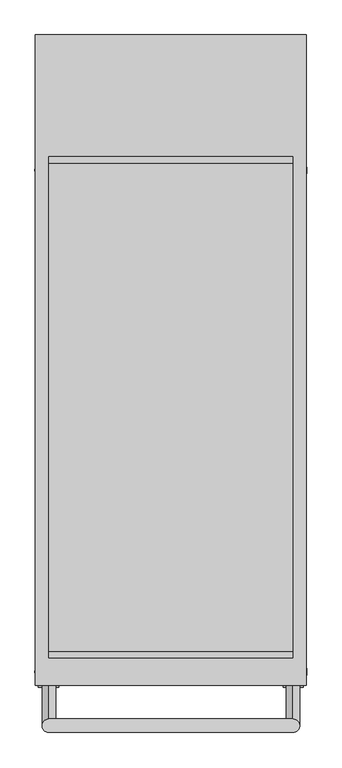
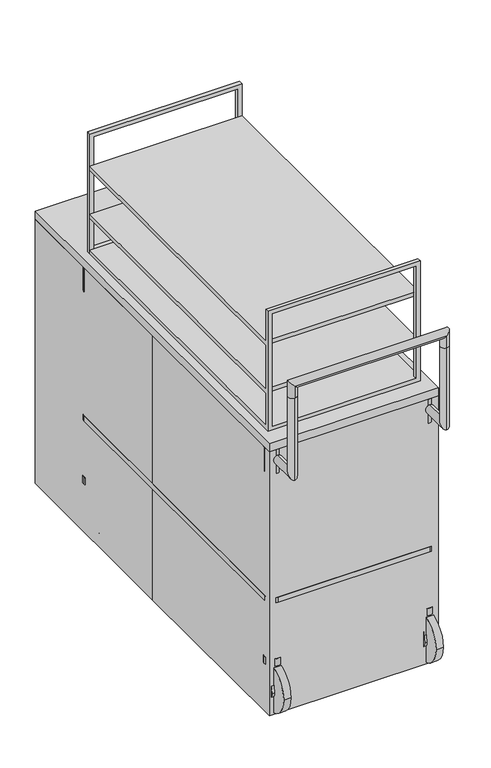
"""IFC4 building model written with IfcOpenShell, lengths in millimetres: proxy geometry."""

from ifc_helpers import new_model, si_unit, point, frame, frame_2d, origin, origin_with_axes, place, context, project, spatial, polyline, circle_curve, ellipse_curve, trimmed, segment, composite_curve, outline, extrude, faceted_brep, source, transform, mapped, element, save
from ifc_brep_helpers import plane_surface, cylinder_surface, advanced_brep


def specialty_equipment_8e73fef4(model_context):
    return source(origin(), model_context, "Body", "SolidModel", [
        faceted_brep([(215.9, -547.0730154, 990.6), (-215.9, -547.0730154, 990.6), (-215.9, -547.0730154, 977.9), (215.9, -547.0730154, 977.9), (215.9, -547.0730154, 1143.0), (-215.9, -547.0730154, 1143.0), (-215.9, -547.0730154, 1130.3), (215.9, -547.0730154, 1130.3), (228.6, 369.2730154, 977.9), (-228.6, 369.2730154, 977.9), (-228.6, 369.2730154, 990.6), (228.6, 369.2730154, 990.6), (228.6, 369.2730154, 1130.3), (-228.6, 369.2730154, 1130.3), (-228.6, 369.2730154, 1143.0), (228.6, 369.2730154, 1143.0), (228.6, 369.2730154, 863.6), (-228.6, 369.2730154, 863.6), (-228.6, 369.2730154, 876.3), (228.6, 369.2730154, 876.3), (228.6, -547.0730154, 990.6), (228.6, -547.0730154, 1130.3), (228.6, -547.0730154, 1143.0), (228.6, -547.0730154, 1244.6), (228.6, -558.8, 1244.6), (228.6, -558.8, 863.6), (228.6, -547.0730154, 876.3), (228.6, -547.0730154, 977.9), (-228.6, -547.0730154, 990.6), (-228.6, -547.0730154, 977.9), (-228.6, -547.0730154, 876.3), (-228.6, -558.8, 863.6), (-228.6, -558.8, 1244.6), (-228.6, -547.0730154, 1244.6), (-228.6, -547.0730154, 1143.0), (-228.6, -547.0730154, 1130.3), (-215.9, -547.0730154, 876.3), (-215.9, -558.8, 876.3), (215.9, -558.8, 876.3), (215.9, -547.0730154, 876.3), (215.9, -558.8, 1231.9), (-215.9, -558.8, 1231.9), (215.9, -547.0730154, 1231.9), (-215.9, -547.0730154, 1231.9)], [[[0, 1, 2, 3]], [[4, 5, 6, 7]], [[8, 9, 10, 11]], [[12, 13, 14, 15]], [[16, 17, 18, 19]], [[8, 11, 20, 21, 12, 15, 22, 23, 24, 25, 16, 19, 26, 27]], [[11, 10, 28, 1, 0, 20]], [[10, 9, 29, 30, 18, 17, 31, 32, 33, 34, 14, 13, 35, 28]], [[9, 8, 27, 3, 2, 29]], [[15, 14, 34, 5, 4, 22]], [[13, 12, 21, 7, 6, 35]], [[19, 18, 30, 36, 37, 38, 39, 26]], [[17, 16, 25, 31]], [[25, 24, 32, 31], [40, 38, 37, 41]], [[21, 20, 0, 7]], [[28, 35, 6, 1]], [[33, 23, 22, 4, 42, 43, 5, 34]], [[39, 3, 27, 26]], [[2, 36, 30, 29]], [[32, 24, 23, 33]], [[38, 40, 42, 4, 7, 0, 3, 39]], [[41, 37, 36, 2, 1, 6, 5, 43]], [[40, 41, 43, 42]]]),
        faceted_brep([(228.6, 369.5547832, 863.6), (228.6, 369.5547832, 1244.6), (-228.6, 369.5547832, 1244.6), (-228.6, 369.5547832, 863.6), (215.9, 369.5547832, 1231.9), (215.9, 369.5547832, 876.3), (-215.9, 369.5547832, 876.3), (-215.9, 369.5547832, 1231.9), (228.6, 381.2817679, 863.6), (-228.6, 381.2817679, 863.6), (-228.6, 381.2817679, 1244.6), (228.6, 381.2817679, 1244.6), (215.9, 381.2817679, 1231.9), (-215.9, 381.2817679, 1231.9), (-215.9, 381.2817679, 876.3), (215.9, 381.2817679, 876.3)], [[[0, 1, 2, 3], [4, 5, 6, 7]], [[8, 9, 10, 11], [12, 13, 14, 15]], [[1, 0, 8, 11]], [[2, 1, 11, 10]], [[3, 2, 10, 9]], [[0, 3, 9, 8]], [[5, 4, 12, 15]], [[6, 5, 15, 14]], [[7, 6, 14, 13]], [[4, 7, 13, 12]]]),
        advanced_brep(
        [(228.6, -698.5, 1092.2), (228.6, -673.1, 1092.2), (-228.6, -673.1, 1092.2), (-228.6, -698.5, 1092.2), (-228.6, -673.1, 1054.1), (-228.6, -698.5, 1054.1), (228.6, -698.5, 1054.1), (228.6, -673.1, 1054.1), (228.6, -609.6, 793.75), (228.6, -609.6, 819.15), (228.6, -673.1, 819.15), (228.6, -698.5, 793.75), (-228.6, -609.6, 819.15), (-228.6, -609.6, 793.75), (-228.6, -673.1, 819.15), (-228.6, -698.5, 793.75)],
        [
            (0, 1, ellipse_curve(frame((228.6, -685.8, 1092.2), z_axis=(-0.7071067811865468, 0.0, 0.7071067811865481), x_axis=(0.7071067811865482, 0.0, 0.7071067811865467)), 17.9605122, 12.7)),
            (1, 2),
            (2, 3, ellipse_curve(frame((-228.6, -685.8, 1092.2), z_axis=(0.7071067811865493, 0.0, 0.7071067811865456), x_axis=(0.7071067811865458, 0.0, -0.7071067811865492)), 17.9605122, 12.7)),
            (3, 0),
            (1, 0, ellipse_curve(frame((228.6, -685.8, 1092.2), z_axis=(-0.7071067811865468, 0.0, 0.7071067811865481), x_axis=(0.7071067811865482, 0.0, 0.7071067811865467)), 17.9605122, 12.7)),
            (3, 2, ellipse_curve(frame((-228.6, -685.8, 1092.2), z_axis=(0.7071067811865493, 0.0, 0.7071067811865456), x_axis=(0.7071067811865458, 0.0, -0.7071067811865492)), 17.9605122, 12.7)),
            (2, 4),
            (4, 5, circle_curve(frame((-228.6, -685.8, 1054.1), z_axis=(0.0, 0.0, 1.0), x_axis=(0.0, -1.0, 0.0)), 12.7)),
            (5, 3),
            (5, 4, circle_curve(frame((-228.6, -685.8, 1054.1), z_axis=(0.0, 0.0, 1.0), x_axis=(0.0, -1.0, 0.0)), 12.7)),
            (0, 6),
            (6, 7, circle_curve(frame((228.6, -685.8, 1054.1), z_axis=(0.0, 0.0, 1.0), x_axis=(0.0, -1.0, 0.0)), 12.7)),
            (7, 1),
            (7, 6, circle_curve(frame((228.6, -685.8, 1054.1), z_axis=(0.0, 0.0, 1.0), x_axis=(0.0, -1.0, 0.0)), 12.7)),
            (8, 9, circle_curve(frame((228.6, -609.6, 806.45), z_axis=(0.0, 1.0, 0.0), x_axis=(0.0, 0.0, 1.0)), 12.7)),
            (9, 8, circle_curve(frame((228.6, -609.6, 806.45), z_axis=(0.0, 1.0, 0.0), x_axis=(0.0, 0.0, 1.0)), 12.7)),
            (9, 10),
            (10, 11, ellipse_curve(frame((228.6, -685.8, 806.45), z_axis=(0.0, 0.7071067811865457, -0.7071067811865495), x_axis=(0.0, 0.7071067811865492, 0.7071067811865457)), 17.9605122, 12.7)),
            (11, 8),
            (11, 10, ellipse_curve(frame((228.6, -685.8, 806.45), z_axis=(0.0, 0.7071067811865457, -0.7071067811865495), x_axis=(0.0, 0.7071067811865492, 0.7071067811865457)), 17.9605122, 12.7)),
            (10, 7),
            (6, 11),
            (12, 13, circle_curve(frame((-228.6, -609.6, 806.45), z_axis=(0.0, 1.0, 0.0), x_axis=(0.0, 0.0, -1.0)), 12.7)),
            (13, 12, circle_curve(frame((-228.6, -609.6, 806.45), z_axis=(0.0, 1.0, 0.0), x_axis=(0.0, 0.0, -1.0)), 12.7)),
            (12, 14),
            (14, 15, ellipse_curve(frame((-228.6, -685.8, 806.45), z_axis=(0.0, 0.7071067811865457, -0.7071067811865495), x_axis=(0.0, 0.7071067811865492, 0.7071067811865457)), 17.9605122, 12.7)),
            (15, 13),
            (15, 14, ellipse_curve(frame((-228.6, -685.8, 806.45), z_axis=(0.0, 0.7071067811865457, -0.7071067811865495), x_axis=(0.0, 0.7071067811865492, 0.7071067811865457)), 17.9605122, 12.7)),
            (14, 4),
            (5, 15),
        ],
        [
            cylinder_surface(frame((228.6, -685.8, 1092.2), z_axis=(1.0, 0.0, 0.0), x_axis=(0.0, -1.0, 0.0)), 12.7),
            cylinder_surface(frame((-228.6, -685.8, 1092.2), z_axis=(0.0, 0.0, 1.0), x_axis=(0.0, -1.0, 0.0)), 12.7),
            cylinder_surface(frame((228.6, -685.8, 1054.1), z_axis=(0.0, 0.0, -1.0), x_axis=(0.0, -1.0, 0.0)), 12.7),
            plane_surface(frame((0.0, -609.6, 806.45), z_axis=(0.0, 1.0, 0.0), x_axis=(-1.0, 0.0, 0.0))),
            cylinder_surface(frame((228.6, -609.6, 806.45), z_axis=(0.0, 1.0, 0.0), x_axis=(0.0, 0.0, 1.0)), 12.7),
            cylinder_surface(frame((228.6, -685.8, 806.45), z_axis=(0.0, 0.0, -1.0), x_axis=(0.0, 1.0, 0.0)), 12.7),
            plane_surface(frame((0.0, -609.6, 806.45), z_axis=(0.0, 1.0, 0.0), x_axis=(1.0, 0.0, 0.0))),
            cylinder_surface(frame((-228.6, -609.6, 806.45), z_axis=(0.0, 1.0, 0.0), x_axis=(0.0, 0.0, -1.0)), 12.7),
            cylinder_surface(frame((-228.6, -685.8, 806.45), z_axis=(0.0, 0.0, -1.0), x_axis=(0.0, -1.0, 0.0)), 12.7),
        ],
        [
            (0, [[1, 2, 3, 4]]),
            (0, [[-2, 5, -4, 6]]),
            (1, [[-3, 7, 8, 9]]),
            (1, [[-6, -9, 10, -7]]),
            (2, [[-1, 11, 12, 13]]),
            (2, [[-5, -13, 14, -11]]),
            (3, [[15, 16]]),
            (4, [[-16, 17, 18, 19]]),
            (4, [[-15, -19, 20, -17]]),
            (5, [[-18, 21, -12, 22]]),
            (5, [[-20, -22, -14, -21]]),
            (6, [[23, 24]]),
            (7, [[-23, 25, 26, 27]]),
            (7, [[-24, -27, 28, -25]]),
            (8, [[-26, 29, -10, 30]]),
            (8, [[-28, -30, -8, -29]]),
        ],
    ),
        extrude(outline(composite_curve([segment(trimmed(circle_curve(frame_2d((228.6, 355.8817679)), 25.4), [point((228.6, 381.2817679))], [point((254.0, 355.8817679))], False, "CARTESIAN"), True, "CONTINUOUS"), segment(polyline([(254.0, 355.8817679), (254.0, -584.4817679)]), True, "CONTINUOUS"), segment(trimmed(circle_curve(frame_2d((228.6, -584.4817679)), 25.4), [point((254.0, -584.4817679))], [point((228.6, -609.8817679))], False, "CARTESIAN"), True, "CONTINUOUS"), segment(polyline([(228.6, -609.8817679), (-228.6, -609.8817679)]), True, "CONTINUOUS"), segment(trimmed(circle_curve(frame_2d((-228.6, -584.4817679)), 25.4), [point((-228.6, -609.8817679))], [point((-254.0, -584.4817679))], False, "CARTESIAN"), True, "CONTINUOUS"), segment(polyline([(-254.0, -584.4817679), (-254.0, 355.8817679)]), True, "CONTINUOUS"), segment(trimmed(circle_curve(frame_2d((-228.6, 355.8817679)), 25.4), [point((-254.0, 355.8817679))], [point((-228.6, 381.2817679))], False, "CARTESIAN"), True, "CONTINUOUS"), segment(polyline([(-228.6, 381.2817679), (228.6, 381.2817679)]), True, "CONTINUOUS")], self_intersect=False), holes=[composite_curve([segment(polyline([(-247.65, 355.8817679), (-247.65, -584.4817679)]), True, "CONTINUOUS"), segment(trimmed(circle_curve(frame_2d((-228.6, -584.4817679)), 19.05), [point((-247.65, -584.4817679))], [point((-228.6, -603.5317679))], True, "CARTESIAN"), True, "CONTINUOUS"), segment(polyline([(-228.6, -603.5317679), (228.6, -603.5317679)]), True, "CONTINUOUS"), segment(trimmed(circle_curve(frame_2d((228.6, -584.4817679)), 19.05), [point((228.6, -603.5317679))], [point((247.65, -584.4817679))], True, "CARTESIAN"), True, "CONTINUOUS"), segment(polyline([(247.65, -584.4817679), (247.65, 355.8817679)]), True, "CONTINUOUS"), segment(trimmed(circle_curve(frame_2d((228.6, 355.8817679)), 19.05), [point((247.65, 355.8817679))], [point((228.6, 374.9317679))], True, "CARTESIAN"), True, "CONTINUOUS"), segment(polyline([(228.6, 374.9317679), (-228.6, 374.9317679)]), True, "CONTINUOUS"), segment(trimmed(circle_curve(frame_2d((-228.6, 355.8817679)), 19.05), [point((-228.6, 374.9317679))], [point((-247.65, 355.8817679))], True, "CARTESIAN"), True, "CONTINUOUS")], self_intersect=False)]), frame((0.0, 0.0, 351.6980912), z_axis=(0.0, 0.0, 1.0), x_axis=(1.0, 0.0, 0.0)), (0.0, 0.0, 1.0), 16.6732105),
        extrude(outline(polyline([(254.0, 609.6), (254.0, -609.6), (-254.0, -609.6), (-254.0, 609.6), (254.0, 609.6)])), frame((0.0, 0.0, 838.2), z_axis=(0.0, 0.0, 1.0), x_axis=(1.0, 0.0, 0.0)), (0.0, 0.0, 1.0), 25.4),
        extrude(outline(composite_curve([segment(trimmed(circle_curve(frame_2d((228.6, 355.8817679)), 25.4), [point((254.0, 355.8817679))], [point((203.2, 355.8817679))], False, "CARTESIAN"), True, "CONTINUOUS"), segment(trimmed(circle_curve(frame_2d((228.6, 355.8817679)), 25.4), [point((203.2, 355.8817679))], [point((254.0, 355.8817679))], False, "CARTESIAN"), True, "CONTINUOUS")], self_intersect=False)), frame((0.0, 0.0, 762.0), z_axis=(0.0, 0.0, 1.0), x_axis=(1.0, 0.0, 0.0)), (0.0, 0.0, 1.0), 76.2),
        extrude(outline(composite_curve([segment(trimmed(circle_curve(frame_2d((-228.6, 355.8817679)), 25.4), [point((-254.0, 355.8817679))], [point((-203.2, 355.8817679))], False, "CARTESIAN"), True, "CONTINUOUS"), segment(trimmed(circle_curve(frame_2d((-228.6, 355.8817679)), 25.4), [point((-203.2, 355.8817679))], [point((-254.0, 355.8817679))], False, "CARTESIAN"), True, "CONTINUOUS")], self_intersect=False)), frame((0.0, 0.0, 762.0), z_axis=(0.0, 0.0, 1.0), x_axis=(1.0, 0.0, 0.0)), (0.0, 0.0, 1.0), 76.2),
        extrude(outline(composite_curve([segment(trimmed(circle_curve(frame_2d((228.6, 355.8817679)), 19.05), [point((247.65, 355.8817679))], [point((209.55, 355.8817679))], False, "CARTESIAN"), True, "CONTINUOUS"), segment(trimmed(circle_curve(frame_2d((228.6, 355.8817679)), 19.05), [point((209.55, 355.8817679))], [point((247.65, 355.8817679))], False, "CARTESIAN"), True, "CONTINUOUS")], self_intersect=False)), frame((0.0, 0.0, 174.7763752), z_axis=(0.0, 0.0, 1.0), x_axis=(1.0, 0.0, 0.0)), (0.0, 0.0, 1.0), 587.2236248),
        extrude(outline(composite_curve([segment(trimmed(circle_curve(frame_2d((-228.6, 355.8817679)), 19.05), [point((-247.65, 355.8817679))], [point((-209.55, 355.8817679))], False, "CARTESIAN"), True, "CONTINUOUS"), segment(trimmed(circle_curve(frame_2d((-228.6, 355.8817679)), 19.05), [point((-209.55, 355.8817679))], [point((-247.65, 355.8817679))], False, "CARTESIAN"), True, "CONTINUOUS")], self_intersect=False)), frame((0.0, 0.0, 174.7763752), z_axis=(0.0, 0.0, 1.0), x_axis=(1.0, 0.0, 0.0)), (0.0, 0.0, 1.0), 587.2236248),
        extrude(outline(composite_curve([segment(trimmed(circle_curve(frame_2d((369.137771, 68.1931361)), 15.875), [point((384.7211025, 71.2222289))], [point((353.5544395, 65.1640433))], False, "CARTESIAN"), True, "CONTINUOUS"), segment(polyline([(353.5544395, 65.1640433), (340.406432, 114.2330753), (340.406432, 150.6957478), (369.2730154, 150.6957478), (384.7211025, 71.2222289)]), True, "CONTINUOUS")], self_intersect=False)), frame((210.5418618, 0.0, 0.0), z_axis=(1.0, 0.0, 0.0), x_axis=(0.0, 1.0, 0.0)), (0.0, 0.0, 1.0), 37.7067997),
        extrude(outline(composite_curve([segment(trimmed(circle_curve(frame_2d((228.6, 355.8817679)), 26.1761042), [point((254.7761042, 355.8817679))], [point((202.4238958, 355.8817679))], False, "CARTESIAN"), True, "CONTINUOUS"), segment(trimmed(circle_curve(frame_2d((228.6, 355.8817679)), 26.1761042), [point((202.4238958, 355.8817679))], [point((254.7761042, 355.8817679))], False, "CARTESIAN"), True, "CONTINUOUS")], self_intersect=False)), frame((0.0, 0.0, 152.2555529), z_axis=(0.0, 0.0, 1.0), x_axis=(1.0, 0.0, 0.0)), (0.0, 0.0, 1.0), 22.5208222),
        extrude(outline(composite_curve([segment(trimmed(circle_curve(frame_2d((355.3528318, 75.9759704)), 76.2), [point((279.1528318, 75.9759704))], [point((431.5528318, 75.9759704))], False, "CARTESIAN"), True, "CONTINUOUS"), segment(trimmed(circle_curve(frame_2d((355.3528318, 75.9759704)), 76.2), [point((431.5528318, 75.9759704))], [point((279.1528318, 75.9759704))], False, "CARTESIAN"), True, "CONTINUOUS")], self_intersect=False)), frame((218.0827886, 0.0, 0.0), z_axis=(1.0, 0.0, 0.0), x_axis=(0.0, 1.0, 0.0)), (0.0, 0.0, 1.0), 21.7720614),
        extrude(outline(composite_curve([segment(trimmed(circle_curve(frame_2d((369.137771, 68.1931361)), 15.875), [point((384.7211025, 71.2222289))], [point((353.5544395, 65.1640433))], False, "CARTESIAN"), True, "CONTINUOUS"), segment(polyline([(353.5544395, 65.1640433), (340.406432, 114.2330753), (340.406432, 150.6957478), (369.2730154, 150.6957478), (384.7211025, 71.2222289)]), True, "CONTINUOUS")], self_intersect=False)), frame((-248.2486615, 0.0, 0.0), z_axis=(1.0, 0.0, 0.0), x_axis=(0.0, 1.0, 0.0)), (0.0, 0.0, 1.0), 37.7067997),
        extrude(outline(composite_curve([segment(trimmed(circle_curve(frame_2d((-228.6, 355.8817679)), 26.1761042), [point((-254.7761042, 355.8817679))], [point((-202.4238958, 355.8817679))], False, "CARTESIAN"), True, "CONTINUOUS"), segment(trimmed(circle_curve(frame_2d((-228.6, 355.8817679)), 26.1761042), [point((-202.4238958, 355.8817679))], [point((-254.7761042, 355.8817679))], False, "CARTESIAN"), True, "CONTINUOUS")], self_intersect=False)), frame((0.0, 0.0, 152.2555529), z_axis=(0.0, 0.0, 1.0), x_axis=(1.0, 0.0, 0.0)), (0.0, 0.0, 1.0), 22.5208222),
        extrude(outline(composite_curve([segment(trimmed(circle_curve(frame_2d((355.3528318, 75.9759704)), 76.2), [point((431.5528318, 75.9759704))], [point((279.1528318, 75.9759704))], False, "CARTESIAN"), True, "CONTINUOUS"), segment(trimmed(circle_curve(frame_2d((355.3528318, 75.9759704)), 76.2), [point((279.1528318, 75.9759704))], [point((431.5528318, 75.9759704))], False, "CARTESIAN"), True, "CONTINUOUS")], self_intersect=False)), frame((-239.85485, 0.0, 0.0), z_axis=(1.0, 0.0, 0.0), x_axis=(0.0, 1.0, 0.0)), (0.0, 0.0, 1.0), 21.7720614),
        extrude(outline(composite_curve([segment(trimmed(circle_curve(frame_2d((228.6, -584.4817679)), 25.4), [point((254.0, -584.4817679))], [point((203.2, -584.4817679))], False, "CARTESIAN"), True, "CONTINUOUS"), segment(trimmed(circle_curve(frame_2d((228.6, -584.4817679)), 25.4), [point((203.2, -584.4817679))], [point((254.0, -584.4817679))], False, "CARTESIAN"), True, "CONTINUOUS")], self_intersect=False)), frame((0.0, 0.0, 762.0), z_axis=(0.0, 0.0, 1.0), x_axis=(1.0, 0.0, 0.0)), (0.0, 0.0, 1.0), 76.2),
        extrude(outline(composite_curve([segment(trimmed(circle_curve(frame_2d((-228.6, -584.4817679)), 25.4), [point((-254.0, -584.4817679))], [point((-203.2, -584.4817679))], False, "CARTESIAN"), True, "CONTINUOUS"), segment(trimmed(circle_curve(frame_2d((-228.6, -584.4817679)), 25.4), [point((-203.2, -584.4817679))], [point((-254.0, -584.4817679))], False, "CARTESIAN"), True, "CONTINUOUS")], self_intersect=False)), frame((0.0, 0.0, 762.0), z_axis=(0.0, 0.0, 1.0), x_axis=(1.0, 0.0, 0.0)), (0.0, 0.0, 1.0), 76.2),
        extrude(outline(composite_curve([segment(trimmed(circle_curve(frame_2d((228.6, -584.4817679)), 19.05), [point((247.65, -584.4817679))], [point((209.55, -584.4817679))], False, "CARTESIAN"), True, "CONTINUOUS"), segment(trimmed(circle_curve(frame_2d((228.6, -584.4817679)), 19.05), [point((209.55, -584.4817679))], [point((247.65, -584.4817679))], False, "CARTESIAN"), True, "CONTINUOUS")], self_intersect=False)), frame((0.0, 0.0, 174.7763752), z_axis=(0.0, 0.0, 1.0), x_axis=(1.0, 0.0, 0.0)), (0.0, 0.0, 1.0), 587.2236248),
        extrude(outline(composite_curve([segment(trimmed(circle_curve(frame_2d((-228.6, -584.4817679)), 19.05), [point((-247.65, -584.4817679))], [point((-209.55, -584.4817679))], False, "CARTESIAN"), True, "CONTINUOUS"), segment(trimmed(circle_curve(frame_2d((-228.6, -584.4817679)), 19.05), [point((-209.55, -584.4817679))], [point((-247.65, -584.4817679))], False, "CARTESIAN"), True, "CONTINUOUS")], self_intersect=False)), frame((0.0, 0.0, 174.7763752), z_axis=(0.0, 0.0, 1.0), x_axis=(1.0, 0.0, 0.0)), (0.0, 0.0, 1.0), 587.2236248),
        extrude(outline(composite_curve([segment(polyline([(-613.3211025, 71.2222289), (-597.8730154, 150.6957478), (-569.006432, 150.6957478), (-569.006432, 114.2330753), (-582.1544395, 65.1640433)]), True, "CONTINUOUS"), segment(trimmed(circle_curve(frame_2d((-597.737771, 68.1931361)), 15.875), [point((-582.1544395, 65.1640433))], [point((-613.3211025, 71.2222289))], False, "CARTESIAN"), True, "CONTINUOUS")], self_intersect=False)), frame((210.5418618, 0.0, 0.0), z_axis=(1.0, 0.0, 0.0), x_axis=(0.0, 1.0, 0.0)), (0.0, 0.0, 1.0), 37.7067997),
        extrude(outline(composite_curve([segment(trimmed(circle_curve(frame_2d((228.6, -584.4817679)), 26.1761042), [point((254.7761042, -584.4817679))], [point((202.4238958, -584.4817679))], False, "CARTESIAN"), True, "CONTINUOUS"), segment(trimmed(circle_curve(frame_2d((228.6, -584.4817679)), 26.1761042), [point((202.4238958, -584.4817679))], [point((254.7761042, -584.4817679))], False, "CARTESIAN"), True, "CONTINUOUS")], self_intersect=False)), frame((0.0, 0.0, 152.2555529), z_axis=(0.0, 0.0, 1.0), x_axis=(1.0, 0.0, 0.0)), (0.0, 0.0, 1.0), 22.5208222),
        extrude(outline(composite_curve([segment(trimmed(circle_curve(frame_2d((-583.9528318, 75.9759704)), 76.2), [point((-660.1528318, 75.9759704))], [point((-507.7528318, 75.9759704))], False, "CARTESIAN"), True, "CONTINUOUS"), segment(trimmed(circle_curve(frame_2d((-583.9528318, 75.9759704)), 76.2), [point((-507.7528318, 75.9759704))], [point((-660.1528318, 75.9759704))], False, "CARTESIAN"), True, "CONTINUOUS")], self_intersect=False)), frame((218.0827886, 0.0, 0.0), z_axis=(1.0, 0.0, 0.0), x_axis=(0.0, 1.0, 0.0)), (0.0, 0.0, 1.0), 21.7720614),
        extrude(outline(composite_curve([segment(polyline([(-613.3211025, 71.2222289), (-597.8730154, 150.6957478), (-569.006432, 150.6957478), (-569.006432, 114.2330753), (-582.1544395, 65.1640433)]), True, "CONTINUOUS"), segment(trimmed(circle_curve(frame_2d((-597.737771, 68.1931361)), 15.875), [point((-582.1544395, 65.1640433))], [point((-613.3211025, 71.2222289))], False, "CARTESIAN"), True, "CONTINUOUS")], self_intersect=False)), frame((-248.2486615, 0.0, 0.0), z_axis=(1.0, 0.0, 0.0), x_axis=(0.0, 1.0, 0.0)), (0.0, 0.0, 1.0), 37.7067997),
        extrude(outline(composite_curve([segment(trimmed(circle_curve(frame_2d((-228.6, -584.4817679)), 26.1761042), [point((-254.7761042, -584.4817679))], [point((-202.4238958, -584.4817679))], False, "CARTESIAN"), True, "CONTINUOUS"), segment(trimmed(circle_curve(frame_2d((-228.6, -584.4817679)), 26.1761042), [point((-202.4238958, -584.4817679))], [point((-254.7761042, -584.4817679))], False, "CARTESIAN"), True, "CONTINUOUS")], self_intersect=False)), frame((0.0, 0.0, 152.2555529), z_axis=(0.0, 0.0, 1.0), x_axis=(1.0, 0.0, 0.0)), (0.0, 0.0, 1.0), 22.5208222),
        extrude(outline(composite_curve([segment(trimmed(circle_curve(frame_2d((-583.9528318, 75.9759704)), 76.2), [point((-507.7528318, 75.9759704))], [point((-660.1528318, 75.9759704))], False, "CARTESIAN"), True, "CONTINUOUS"), segment(trimmed(circle_curve(frame_2d((-583.9528318, 75.9759704)), 76.2), [point((-660.1528318, 75.9759704))], [point((-507.7528318, 75.9759704))], False, "CARTESIAN"), True, "CONTINUOUS")], self_intersect=False)), frame((-239.85485, 0.0, 0.0), z_axis=(1.0, 0.0, 0.0), x_axis=(0.0, 1.0, 0.0)), (0.0, 0.0, 1.0), 21.7720614),
        extrude(outline(polyline([(-254.0, 609.6), (254.0, 609.6), (254.0, -609.6), (-254.0, -609.6), (-254.0, 0.0), (-254.0, 609.6)])), origin_with_axes(), (0.0, 0.0, 1.0), 838.2),
    ])


if __name__ == "__main__":
    model = new_model("IFC4")
    model_context = context("Model", 3, world=origin())
    ifc_project = project(units=[si_unit("LENGTHUNIT", "METRE", prefix="MILLI")], contexts=[model_context])
    site = spatial("IfcSite", under=ifc_project)
    building = spatial("IfcBuilding", under=site)
    placement = place(None, origin())
    specialty_equipment_shape = specialty_equipment_8e73fef4(model_context)
    element("IfcBuildingElementProxy", 1, Name="Specialty Equipment", at=placement, inside=building, context=model_context, shape_type="MappedRepresentation", body=[
        mapped(specialty_equipment_shape, transform((0.0, 0.0, 0.0), x_axis=(1.0, 0.0, 0.0), y_axis=(0.0, 1.0, 0.0), z_axis=(0.0, 0.0, 1.0))),
    ])
    save(model, "model.ifc")
